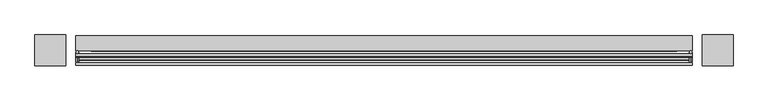
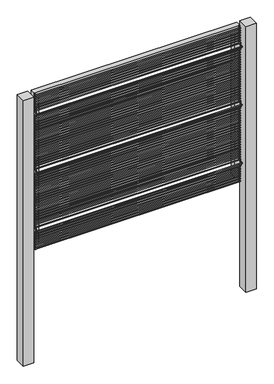
"""IFC4 building model written with IfcOpenShell, lengths in millimetres: railing geometry."""

from ifc_helpers import new_model, si_unit, point, frame, frame_2d, origin, place, context, project, spatial, polyline, circle_curve, ellipse_curve, trimmed, segment, composite_curve, outline, extrude, source, transform, mapped, element, save
from ifc_brep_helpers import plane_surface, cylinder_surface, advanced_brep


def railing_f4114298(model_context):
    return source(origin(), model_context, "Body", "SolidModel", [
        advanced_brep(
        [(-16404.2056958, 14808.5554142, 25.4), (-16404.2056958, 14802.2054142, 25.4), (-16404.2056958, 14802.2054142, 154.0342316), (-16404.2056958, 14808.5554142, 156.6644878), (-16404.2056958, 14778.4396458, 177.8), (-16404.2056958, 14787.419902, 177.8), (-16404.2056958, 14802.2054142, 201.5657684), (-16404.2056958, 14808.5554142, 198.9355122), (-16404.2056958, 14802.2054142, 611.2342316), (-16404.2056958, 14808.5554142, 613.8644878), (-16404.2056958, 14778.4396458, 635.0), (-16404.2056958, 14787.419902, 635.0), (-16404.2056958, 14802.2054142, 658.7657684), (-16404.2056958, 14808.5554142, 656.1355122), (-16404.2056958, 14802.2054142, 1068.4342316), (-16404.2056958, 14808.5554142, 1071.0644878), (-16404.2056958, 14778.4396458, 1092.2), (-16404.2056958, 14787.419902, 1092.2), (-16404.2056958, 14802.2054142, 1115.9657684), (-16404.2056958, 14808.5554142, 1113.3355122), (-16404.2056958, 14808.5554142, 1244.6), (-16404.2056958, 14802.2054142, 1244.6)],
        [
            (0, 1, circle_curve(frame((-16404.2056958, 14805.3804142, 25.4), z_axis=(0.0, 0.0, -1.0), x_axis=(0.0, -1.0, 0.0)), 3.175)),
            (1, 0, circle_curve(frame((-16404.2056958, 14805.3804142, 25.4), z_axis=(0.0, 0.0, -1.0), x_axis=(0.0, -1.0, 0.0)), 3.175)),
            (1, 2),
            (2, 3, ellipse_curve(frame((-16404.2056958, 14805.3804142, 155.3493597), z_axis=(0.0, 0.3826834323650955, -0.9238795325112844), x_axis=(0.0, -0.9238795325112845, -0.38268343236509544)), 3.4365952, 3.175)),
            (3, 0),
            (3, 2, ellipse_curve(frame((-16404.2056958, 14805.3804142, 155.3493597), z_axis=(0.0, 0.3826834323650955, -0.9238795325112844), x_axis=(0.0, -0.9238795325112845, -0.38268343236509544)), 3.4365952, 3.175)),
            (2, 4),
            (4, 5, ellipse_curve(frame((-16404.2056958, 14782.9297739, 177.8), z_axis=(0.0, 0.0, -1.0), x_axis=(0.0, 1.0, 0.0)), 4.4901281, 3.175)),
            (5, 3),
            (5, 4, ellipse_curve(frame((-16404.2056958, 14782.9297739, 177.8), z_axis=(0.0, 0.0, -1.0), x_axis=(0.0, 1.0, 0.0)), 4.4901281, 3.175)),
            (4, 6),
            (6, 7, ellipse_curve(frame((-16404.2056958, 14805.3804142, 200.2506403), z_axis=(0.0, -0.3826834323650839, -0.9238795325112892), x_axis=(0.0, -0.9238795325112893, 0.38268343236508373)), 3.4365952, 3.175)),
            (7, 5),
            (7, 6, ellipse_curve(frame((-16404.2056958, 14805.3804142, 200.2506403), z_axis=(0.0, -0.3826834323650839, -0.9238795325112892), x_axis=(0.0, -0.9238795325112893, 0.38268343236508373)), 3.4365952, 3.175)),
            (6, 8),
            (8, 9, ellipse_curve(frame((-16404.2056958, 14805.3804142, 612.5493597), z_axis=(0.0, 0.3826834323651024, -0.9238795325112816), x_axis=(0.0, -0.9238795325112816, -0.382683432365102)), 3.4365952, 3.175)),
            (9, 7),
            (9, 8, ellipse_curve(frame((-16404.2056958, 14805.3804142, 612.5493597), z_axis=(0.0, 0.3826834323651024, -0.9238795325112816), x_axis=(0.0, -0.9238795325112816, -0.382683432365102)), 3.4365952, 3.175)),
            (8, 10),
            (10, 11, ellipse_curve(frame((-16404.2056958, 14782.9297739, 635.0), z_axis=(0.0, 0.0, -1.0), x_axis=(0.0, 1.0, 0.0)), 4.4901281, 3.175)),
            (11, 9),
            (11, 10, ellipse_curve(frame((-16404.2056958, 14782.9297739, 635.0), z_axis=(0.0, 0.0, -1.0), x_axis=(0.0, 1.0, 0.0)), 4.4901281, 3.175)),
            (10, 12),
            (12, 13, ellipse_curve(frame((-16404.2056958, 14805.3804142, 657.4506403), z_axis=(0.0, -0.3826834323650771, -0.923879532511292), x_axis=(0.0, -0.9238795325112918, 0.3826834323650773)), 3.4365952, 3.175)),
            (13, 11),
            (13, 12, ellipse_curve(frame((-16404.2056958, 14805.3804142, 657.4506403), z_axis=(0.0, -0.3826834323650771, -0.923879532511292), x_axis=(0.0, -0.9238795325112918, 0.3826834323650773)), 3.4365952, 3.175)),
            (12, 14),
            (14, 15, ellipse_curve(frame((-16404.2056958, 14805.3804142, 1069.7493597), z_axis=(0.0, 0.3826834323650978, -0.9238795325112834), x_axis=(0.0, -0.9238795325112834, -0.382683432365098)), 3.4365952, 3.175)),
            (15, 13),
            (15, 14, ellipse_curve(frame((-16404.2056958, 14805.3804142, 1069.7493597), z_axis=(0.0, 0.3826834323650978, -0.9238795325112834), x_axis=(0.0, -0.9238795325112834, -0.382683432365098)), 3.4365952, 3.175)),
            (14, 16),
            (16, 17, ellipse_curve(frame((-16404.2056958, 14782.9297739, 1092.2), z_axis=(0.0, 0.0, -1.0), x_axis=(0.0, 1.0, 0.0)), 4.4901281, 3.175)),
            (17, 15),
            (17, 16, ellipse_curve(frame((-16404.2056958, 14782.9297739, 1092.2), z_axis=(0.0, 0.0, -1.0), x_axis=(0.0, 1.0, 0.0)), 4.4901281, 3.175)),
            (16, 18),
            (18, 19, ellipse_curve(frame((-16404.2056958, 14805.3804142, 1114.6506403), z_axis=(0.0, -0.38268343236508223, -0.9238795325112898), x_axis=(0.0, -0.92387953251129, 0.38268343236508207)), 3.4365952, 3.175)),
            (19, 17),
            (19, 18, ellipse_curve(frame((-16404.2056958, 14805.3804142, 1114.6506403), z_axis=(0.0, -0.38268343236508223, -0.9238795325112898), x_axis=(0.0, -0.92387953251129, 0.38268343236508207)), 3.4365952, 3.175)),
            (20, 21, circle_curve(frame((-16404.2056958, 14805.3804142, 1244.6), z_axis=(0.0, 0.0, 1.0), x_axis=(0.0, -1.0, 0.0)), 3.175)),
            (21, 20, circle_curve(frame((-16404.2056958, 14805.3804142, 1244.6), z_axis=(0.0, 0.0, 1.0), x_axis=(0.0, -1.0, 0.0)), 3.175)),
            (18, 21),
            (20, 19),
        ],
        [
            plane_surface(frame((-16404.2056958, 14805.3804142, 25.4), z_axis=(0.0, 0.0, -1.0), x_axis=(-1.0, 0.0, 0.0))),
            cylinder_surface(frame((-16404.2056958, 14805.3804142, 25.4), z_axis=(0.0, 0.0, -1.0), x_axis=(0.0, -1.0, 0.0)), 3.175),
            cylinder_surface(frame((-16404.2056958, 14805.3804142, 155.3493597), z_axis=(0.0, 0.7071067811865563, -0.7071067811865388), x_axis=(0.0, -0.7071067811865388, -0.7071067811865563)), 3.175),
            cylinder_surface(frame((-16404.2056958, 14782.9297739, 177.8), z_axis=(0.0, -0.7071067811865385, -0.7071067811865568), x_axis=(0.0, -0.7071067811865568, 0.7071067811865385)), 3.175),
            cylinder_surface(frame((-16404.2056958, 14805.3804142, 200.2506403), z_axis=(0.0, 0.0, -1.0), x_axis=(0.0, -1.0, 0.0)), 3.175),
            cylinder_surface(frame((-16404.2056958, 14805.3804142, 612.5493597), z_axis=(0.0, 0.7071067811865669, -0.707106781186528), x_axis=(0.0, -0.707106781186528, -0.7071067811865669)), 3.175),
            cylinder_surface(frame((-16404.2056958, 14782.9297739, 635.0), z_axis=(0.0, -0.7071067811865279, -0.7071067811865672), x_axis=(0.0, -0.7071067811865672, 0.7071067811865279)), 3.175),
            cylinder_surface(frame((-16404.2056958, 14805.3804142, 657.4506403), z_axis=(0.0, 0.0, -1.0), x_axis=(0.0, -1.0, 0.0)), 3.175),
            cylinder_surface(frame((-16404.2056958, 14805.3804142, 1069.7493597), z_axis=(0.0, 0.7071067811865601, -0.707106781186535), x_axis=(0.0, -0.707106781186535, -0.7071067811865601)), 3.175),
            cylinder_surface(frame((-16404.2056958, 14782.9297739, 1092.2), z_axis=(0.0, -0.7071067811865356, -0.7071067811865596), x_axis=(0.0, -0.7071067811865596, 0.7071067811865356)), 3.175),
            plane_surface(frame((-16404.2056958, 14805.3804142, 1244.6), z_axis=(0.0, 0.0, 1.0), x_axis=(-1.0, 0.0, 0.0))),
            cylinder_surface(frame((-16404.2056958, 14805.3804142, 1114.6506403), z_axis=(0.0, 0.0, -1.0), x_axis=(0.0, -1.0, 0.0)), 3.175),
        ],
        [
            (0, [[1, 2]]),
            (1, [[3, 4, 5, -2]]),
            (1, [[-5, 6, -3, -1]]),
            (2, [[7, 8, 9, -4]]),
            (2, [[-9, 10, -7, -6]]),
            (3, [[11, 12, 13, -8]]),
            (3, [[-13, 14, -11, -10]]),
            (4, [[15, 16, 17, -12]]),
            (4, [[-17, 18, -15, -14]]),
            (5, [[19, 20, 21, -16]]),
            (5, [[-21, 22, -19, -18]]),
            (6, [[23, 24, 25, -20]]),
            (6, [[-25, 26, -23, -22]]),
            (7, [[27, 28, 29, -24]]),
            (7, [[-29, 30, -27, -26]]),
            (8, [[31, 32, 33, -28]]),
            (8, [[-33, 34, -31, -30]]),
            (9, [[35, 36, 37, -32]]),
            (9, [[-37, 38, -35, -34]]),
            (10, [[39, 40]]),
            (11, [[41, -39, 42, -36]]),
            (11, [[-42, -40, -41, -38]]),
        ],
    ),
        advanced_brep(
        [(-14886.5556958, 14808.5554142, 25.4), (-14886.5556958, 14802.2054142, 25.4), (-14886.5556958, 14802.2054142, 154.0342316), (-14886.5556958, 14808.5554142, 156.6644878), (-14886.5556958, 14778.4396458, 177.8), (-14886.5556958, 14787.419902, 177.8), (-14886.5556958, 14802.2054142, 201.5657684), (-14886.5556958, 14808.5554142, 198.9355122), (-14886.5556958, 14802.2054142, 611.2342316), (-14886.5556958, 14808.5554142, 613.8644878), (-14886.5556958, 14778.4396458, 635.0), (-14886.5556958, 14787.419902, 635.0), (-14886.5556958, 14802.2054142, 658.7657684), (-14886.5556958, 14808.5554142, 656.1355122), (-14886.5556958, 14802.2054142, 1068.4342316), (-14886.5556958, 14808.5554142, 1071.0644878), (-14886.5556958, 14778.4396458, 1092.2), (-14886.5556958, 14787.419902, 1092.2), (-14886.5556958, 14802.2054142, 1115.9657684), (-14886.5556958, 14808.5554142, 1113.3355122), (-14886.5556958, 14808.5554142, 1244.6), (-14886.5556958, 14802.2054142, 1244.6)],
        [
            (0, 1, circle_curve(frame((-14886.5556958, 14805.3804142, 25.4), z_axis=(0.0, 0.0, -1.0), x_axis=(0.0, -1.0, 0.0)), 3.175)),
            (1, 0, circle_curve(frame((-14886.5556958, 14805.3804142, 25.4), z_axis=(0.0, 0.0, -1.0), x_axis=(0.0, -1.0, 0.0)), 3.175)),
            (1, 2),
            (2, 3, ellipse_curve(frame((-14886.5556958, 14805.3804142, 155.3493597), z_axis=(0.0, 0.3826834323650955, -0.9238795325112844), x_axis=(0.0, -0.9238795325112845, -0.38268343236509544)), 3.4365952, 3.175)),
            (3, 0),
            (3, 2, ellipse_curve(frame((-14886.5556958, 14805.3804142, 155.3493597), z_axis=(0.0, 0.3826834323650955, -0.9238795325112844), x_axis=(0.0, -0.9238795325112845, -0.38268343236509544)), 3.4365952, 3.175)),
            (2, 4),
            (4, 5, ellipse_curve(frame((-14886.5556958, 14782.9297739, 177.8), z_axis=(0.0, 0.0, -1.0), x_axis=(0.0, 1.0, 0.0)), 4.4901281, 3.175)),
            (5, 3),
            (5, 4, ellipse_curve(frame((-14886.5556958, 14782.9297739, 177.8), z_axis=(0.0, 0.0, -1.0), x_axis=(0.0, 1.0, 0.0)), 4.4901281, 3.175)),
            (4, 6),
            (6, 7, ellipse_curve(frame((-14886.5556958, 14805.3804142, 200.2506403), z_axis=(0.0, -0.3826834323650839, -0.9238795325112892), x_axis=(0.0, -0.9238795325112893, 0.38268343236508373)), 3.4365952, 3.175)),
            (7, 5),
            (7, 6, ellipse_curve(frame((-14886.5556958, 14805.3804142, 200.2506403), z_axis=(0.0, -0.3826834323650839, -0.9238795325112892), x_axis=(0.0, -0.9238795325112893, 0.38268343236508373)), 3.4365952, 3.175)),
            (6, 8),
            (8, 9, ellipse_curve(frame((-14886.5556958, 14805.3804142, 612.5493597), z_axis=(0.0, 0.3826834323651024, -0.9238795325112816), x_axis=(0.0, -0.9238795325112816, -0.382683432365102)), 3.4365952, 3.175)),
            (9, 7),
            (9, 8, ellipse_curve(frame((-14886.5556958, 14805.3804142, 612.5493597), z_axis=(0.0, 0.3826834323651024, -0.9238795325112816), x_axis=(0.0, -0.9238795325112816, -0.382683432365102)), 3.4365952, 3.175)),
            (8, 10),
            (10, 11, ellipse_curve(frame((-14886.5556958, 14782.9297739, 635.0), z_axis=(0.0, 0.0, -1.0), x_axis=(0.0, 1.0, 0.0)), 4.4901281, 3.175)),
            (11, 9),
            (11, 10, ellipse_curve(frame((-14886.5556958, 14782.9297739, 635.0), z_axis=(0.0, 0.0, -1.0), x_axis=(0.0, 1.0, 0.0)), 4.4901281, 3.175)),
            (10, 12),
            (12, 13, ellipse_curve(frame((-14886.5556958, 14805.3804142, 657.4506403), z_axis=(0.0, -0.3826834323650771, -0.923879532511292), x_axis=(0.0, -0.9238795325112918, 0.3826834323650773)), 3.4365952, 3.175)),
            (13, 11),
            (13, 12, ellipse_curve(frame((-14886.5556958, 14805.3804142, 657.4506403), z_axis=(0.0, -0.3826834323650771, -0.923879532511292), x_axis=(0.0, -0.9238795325112918, 0.3826834323650773)), 3.4365952, 3.175)),
            (12, 14),
            (14, 15, ellipse_curve(frame((-14886.5556958, 14805.3804142, 1069.7493597), z_axis=(0.0, 0.3826834323650978, -0.9238795325112834), x_axis=(0.0, -0.9238795325112834, -0.382683432365098)), 3.4365952, 3.175)),
            (15, 13),
            (15, 14, ellipse_curve(frame((-14886.5556958, 14805.3804142, 1069.7493597), z_axis=(0.0, 0.3826834323650978, -0.9238795325112834), x_axis=(0.0, -0.9238795325112834, -0.382683432365098)), 3.4365952, 3.175)),
            (14, 16),
            (16, 17, ellipse_curve(frame((-14886.5556958, 14782.9297739, 1092.2), z_axis=(0.0, 0.0, -1.0), x_axis=(0.0, 1.0, 0.0)), 4.4901281, 3.175)),
            (17, 15),
            (17, 16, ellipse_curve(frame((-14886.5556958, 14782.9297739, 1092.2), z_axis=(0.0, 0.0, -1.0), x_axis=(0.0, 1.0, 0.0)), 4.4901281, 3.175)),
            (16, 18),
            (18, 19, ellipse_curve(frame((-14886.5556958, 14805.3804142, 1114.6506403), z_axis=(0.0, -0.38268343236508223, -0.9238795325112898), x_axis=(0.0, -0.92387953251129, 0.38268343236508207)), 3.4365952, 3.175)),
            (19, 17),
            (19, 18, ellipse_curve(frame((-14886.5556958, 14805.3804142, 1114.6506403), z_axis=(0.0, -0.38268343236508223, -0.9238795325112898), x_axis=(0.0, -0.92387953251129, 0.38268343236508207)), 3.4365952, 3.175)),
            (20, 21, circle_curve(frame((-14886.5556958, 14805.3804142, 1244.6), z_axis=(0.0, 0.0, 1.0), x_axis=(0.0, -1.0, 0.0)), 3.175)),
            (21, 20, circle_curve(frame((-14886.5556958, 14805.3804142, 1244.6), z_axis=(0.0, 0.0, 1.0), x_axis=(0.0, -1.0, 0.0)), 3.175)),
            (18, 21),
            (20, 19),
        ],
        [
            plane_surface(frame((-14886.5556958, 14805.3804142, 25.4), z_axis=(0.0, 0.0, -1.0), x_axis=(-1.0, 0.0, 0.0))),
            cylinder_surface(frame((-14886.5556958, 14805.3804142, 25.4), z_axis=(0.0, 0.0, -1.0), x_axis=(0.0, -1.0, 0.0)), 3.175),
            cylinder_surface(frame((-14886.5556958, 14805.3804142, 155.3493597), z_axis=(0.0, 0.7071067811865563, -0.7071067811865388), x_axis=(0.0, -0.7071067811865388, -0.7071067811865563)), 3.175),
            cylinder_surface(frame((-14886.5556958, 14782.9297739, 177.8), z_axis=(0.0, -0.7071067811865385, -0.7071067811865568), x_axis=(0.0, -0.7071067811865568, 0.7071067811865385)), 3.175),
            cylinder_surface(frame((-14886.5556958, 14805.3804142, 200.2506403), z_axis=(0.0, 0.0, -1.0), x_axis=(0.0, -1.0, 0.0)), 3.175),
            cylinder_surface(frame((-14886.5556958, 14805.3804142, 612.5493597), z_axis=(0.0, 0.7071067811865669, -0.707106781186528), x_axis=(0.0, -0.707106781186528, -0.7071067811865669)), 3.175),
            cylinder_surface(frame((-14886.5556958, 14782.9297739, 635.0), z_axis=(0.0, -0.7071067811865279, -0.7071067811865672), x_axis=(0.0, -0.7071067811865672, 0.7071067811865279)), 3.175),
            cylinder_surface(frame((-14886.5556958, 14805.3804142, 657.4506403), z_axis=(0.0, 0.0, -1.0), x_axis=(0.0, -1.0, 0.0)), 3.175),
            cylinder_surface(frame((-14886.5556958, 14805.3804142, 1069.7493597), z_axis=(0.0, 0.7071067811865601, -0.707106781186535), x_axis=(0.0, -0.707106781186535, -0.7071067811865601)), 3.175),
            cylinder_surface(frame((-14886.5556958, 14782.9297739, 1092.2), z_axis=(0.0, -0.7071067811865356, -0.7071067811865596), x_axis=(0.0, -0.7071067811865596, 0.7071067811865356)), 3.175),
            plane_surface(frame((-14886.5556958, 14805.3804142, 1244.6), z_axis=(0.0, 0.0, 1.0), x_axis=(-1.0, 0.0, 0.0))),
            cylinder_surface(frame((-14886.5556958, 14805.3804142, 1114.6506403), z_axis=(0.0, 0.0, -1.0), x_axis=(0.0, -1.0, 0.0)), 3.175),
        ],
        [
            (0, [[1, 2]]),
            (1, [[3, 4, 5, -2]]),
            (1, [[-5, 6, -3, -1]]),
            (2, [[7, 8, 9, -4]]),
            (2, [[-9, 10, -7, -6]]),
            (3, [[11, 12, 13, -8]]),
            (3, [[-13, 14, -11, -10]]),
            (4, [[15, 16, 17, -12]]),
            (4, [[-17, 18, -15, -14]]),
            (5, [[19, 20, 21, -16]]),
            (5, [[-21, 22, -19, -18]]),
            (6, [[23, 24, 25, -20]]),
            (6, [[-25, 26, -23, -22]]),
            (7, [[27, 28, 29, -24]]),
            (7, [[-29, 30, -27, -26]]),
            (8, [[31, 32, 33, -28]]),
            (8, [[-33, 34, -31, -30]]),
            (9, [[35, 36, 37, -32]]),
            (9, [[-37, 38, -35, -34]]),
            (10, [[39, 40]]),
            (11, [[41, -39, 42, -36]]),
            (11, [[-42, -40, -41, -38]]),
        ],
    ),
        extrude(outline(polyline([(1244.6, -14883.3806958), (1244.6, -16407.3806958), (25.4, -16407.3806958), (25.4, -14883.3806958), (1244.6, -14883.3806958)]), holes=[polyline([(1206.5, -14921.4806958), (63.5, -14921.4806958), (63.5, -16369.2806958), (1206.5, -16369.2806958), (1206.5, -14921.4806958)])]), frame((0.0, 14808.5554142, 0.0), z_axis=(0.0, 1.0, 0.0), x_axis=(0.0, 0.0, 1.0)), (0.0, 0.0, 1.0), 38.1),
        extrude(outline(composite_curve([segment(trimmed(circle_curve(frame_2d((14799.0304142, 28.575)), 3.175), [point((14795.8554142, 28.575))], [point((14802.2054142, 28.575))], False, "CARTESIAN"), True, "CONTINUOUS"), segment(trimmed(circle_curve(frame_2d((14799.0304142, 28.575)), 3.175), [point((14802.2054142, 28.575))], [point((14795.8554142, 28.575))], False, "CARTESIAN"), True, "CONTINUOUS")], self_intersect=False)), frame((-16407.3806958, 0.0, 0.0), z_axis=(1.0, 0.0, 0.0), x_axis=(0.0, 1.0, 0.0)), (0.0, 0.0, 1.0), 1524.0),
        extrude(outline(composite_curve([segment(trimmed(circle_curve(frame_2d((14799.0304142, 47.625)), 3.175), [point((14795.8554142, 47.625))], [point((14802.2054142, 47.625))], False, "CARTESIAN"), True, "CONTINUOUS"), segment(trimmed(circle_curve(frame_2d((14799.0304142, 47.625)), 3.175), [point((14802.2054142, 47.625))], [point((14795.8554142, 47.625))], False, "CARTESIAN"), True, "CONTINUOUS")], self_intersect=False)), frame((-16407.3806958, 0.0, 0.0), z_axis=(1.0, 0.0, 0.0), x_axis=(0.0, 1.0, 0.0)), (0.0, 0.0, 1.0), 1524.0),
        extrude(outline(composite_curve([segment(trimmed(circle_curve(frame_2d((14799.0304142, 66.675)), 3.175), [point((14795.8554142, 66.675))], [point((14802.2054142, 66.675))], False, "CARTESIAN"), True, "CONTINUOUS"), segment(trimmed(circle_curve(frame_2d((14799.0304142, 66.675)), 3.175), [point((14802.2054142, 66.675))], [point((14795.8554142, 66.675))], False, "CARTESIAN"), True, "CONTINUOUS")], self_intersect=False)), frame((-16407.3806958, 0.0, 0.0), z_axis=(1.0, 0.0, 0.0), x_axis=(0.0, 1.0, 0.0)), (0.0, 0.0, 1.0), 1524.0),
        extrude(outline(composite_curve([segment(trimmed(circle_curve(frame_2d((14799.0304142, 85.725)), 3.175), [point((14795.8554142, 85.725))], [point((14802.2054142, 85.725))], False, "CARTESIAN"), True, "CONTINUOUS"), segment(trimmed(circle_curve(frame_2d((14799.0304142, 85.725)), 3.175), [point((14802.2054142, 85.725))], [point((14795.8554142, 85.725))], False, "CARTESIAN"), True, "CONTINUOUS")], self_intersect=False)), frame((-16407.3806958, 0.0, 0.0), z_axis=(1.0, 0.0, 0.0), x_axis=(0.0, 1.0, 0.0)), (0.0, 0.0, 1.0), 1524.0),
        extrude(outline(composite_curve([segment(trimmed(circle_curve(frame_2d((14799.0304142, 104.775)), 3.175), [point((14795.8554142, 104.775))], [point((14802.2054142, 104.775))], False, "CARTESIAN"), True, "CONTINUOUS"), segment(trimmed(circle_curve(frame_2d((14799.0304142, 104.775)), 3.175), [point((14802.2054142, 104.775))], [point((14795.8554142, 104.775))], False, "CARTESIAN"), True, "CONTINUOUS")], self_intersect=False)), frame((-16407.3806958, 0.0, 0.0), z_axis=(1.0, 0.0, 0.0), x_axis=(0.0, 1.0, 0.0)), (0.0, 0.0, 1.0), 1524.0),
        extrude(outline(composite_curve([segment(trimmed(circle_curve(frame_2d((14799.0304142, 123.825)), 3.175), [point((14795.8554142, 123.825))], [point((14802.2054142, 123.825))], False, "CARTESIAN"), True, "CONTINUOUS"), segment(trimmed(circle_curve(frame_2d((14799.0304142, 123.825)), 3.175), [point((14802.2054142, 123.825))], [point((14795.8554142, 123.825))], False, "CARTESIAN"), True, "CONTINUOUS")], self_intersect=False)), frame((-16407.3806958, 0.0, 0.0), z_axis=(1.0, 0.0, 0.0), x_axis=(0.0, 1.0, 0.0)), (0.0, 0.0, 1.0), 1524.0),
        extrude(outline(composite_curve([segment(trimmed(circle_curve(frame_2d((14799.0304142, 142.875)), 3.175), [point((14795.8554142, 142.875))], [point((14802.2054142, 142.875))], False, "CARTESIAN"), True, "CONTINUOUS"), segment(trimmed(circle_curve(frame_2d((14799.0304142, 142.875)), 3.175), [point((14802.2054142, 142.875))], [point((14795.8554142, 142.875))], False, "CARTESIAN"), True, "CONTINUOUS")], self_intersect=False)), frame((-16407.3806958, 0.0, 0.0), z_axis=(1.0, 0.0, 0.0), x_axis=(0.0, 1.0, 0.0)), (0.0, 0.0, 1.0), 1524.0),
        extrude(outline(composite_curve([segment(trimmed(circle_curve(frame_2d((14789.3771382, 161.925)), 3.175), [point((14786.2021382, 161.925))], [point((14792.5521382, 161.925))], False, "CARTESIAN"), True, "CONTINUOUS"), segment(trimmed(circle_curve(frame_2d((14789.3771382, 161.925)), 3.175), [point((14792.5521382, 161.925))], [point((14786.2021382, 161.925))], False, "CARTESIAN"), True, "CONTINUOUS")], self_intersect=False)), frame((-16407.3806958, 0.0, 0.0), z_axis=(1.0, 0.0, 0.0), x_axis=(0.0, 1.0, 0.0)), (0.0, 0.0, 1.0), 1524.0),
        extrude(outline(composite_curve([segment(trimmed(circle_curve(frame_2d((14776.6771382, 180.975)), 3.175), [point((14773.5021382, 180.975))], [point((14779.8521382, 180.975))], False, "CARTESIAN"), True, "CONTINUOUS"), segment(trimmed(circle_curve(frame_2d((14776.6771382, 180.975)), 3.175), [point((14779.8521382, 180.975))], [point((14773.5021382, 180.975))], False, "CARTESIAN"), True, "CONTINUOUS")], self_intersect=False)), frame((-16407.3806958, 0.0, 0.0), z_axis=(1.0, 0.0, 0.0), x_axis=(0.0, 1.0, 0.0)), (0.0, 0.0, 1.0), 1524.0),
        extrude(outline(composite_curve([segment(trimmed(circle_curve(frame_2d((14795.4585392, 200.025)), 3.175), [point((14792.2835392, 200.025))], [point((14798.6335392, 200.025))], False, "CARTESIAN"), True, "CONTINUOUS"), segment(trimmed(circle_curve(frame_2d((14795.4585392, 200.025)), 3.175), [point((14798.6335392, 200.025))], [point((14792.2835392, 200.025))], False, "CARTESIAN"), True, "CONTINUOUS")], self_intersect=False)), frame((-16407.3806958, 0.0, 0.0), z_axis=(1.0, 0.0, 0.0), x_axis=(0.0, 1.0, 0.0)), (0.0, 0.0, 1.0), 1524.0),
        extrude(outline(composite_curve([segment(trimmed(circle_curve(frame_2d((14799.0304142, 219.075)), 3.175), [point((14795.8554142, 219.075))], [point((14802.2054142, 219.075))], False, "CARTESIAN"), True, "CONTINUOUS"), segment(trimmed(circle_curve(frame_2d((14799.0304142, 219.075)), 3.175), [point((14802.2054142, 219.075))], [point((14795.8554142, 219.075))], False, "CARTESIAN"), True, "CONTINUOUS")], self_intersect=False)), frame((-16407.3806958, 0.0, 0.0), z_axis=(1.0, 0.0, 0.0), x_axis=(0.0, 1.0, 0.0)), (0.0, 0.0, 1.0), 1524.0),
        extrude(outline(composite_curve([segment(trimmed(circle_curve(frame_2d((14799.0304142, 238.125)), 3.175), [point((14795.8554142, 238.125))], [point((14802.2054142, 238.125))], False, "CARTESIAN"), True, "CONTINUOUS"), segment(trimmed(circle_curve(frame_2d((14799.0304142, 238.125)), 3.175), [point((14802.2054142, 238.125))], [point((14795.8554142, 238.125))], False, "CARTESIAN"), True, "CONTINUOUS")], self_intersect=False)), frame((-16407.3806958, 0.0, 0.0), z_axis=(1.0, 0.0, 0.0), x_axis=(0.0, 1.0, 0.0)), (0.0, 0.0, 1.0), 1524.0),
        extrude(outline(composite_curve([segment(trimmed(circle_curve(frame_2d((14799.0304142, 257.175)), 3.175), [point((14795.8554142, 257.175))], [point((14802.2054142, 257.175))], False, "CARTESIAN"), True, "CONTINUOUS"), segment(trimmed(circle_curve(frame_2d((14799.0304142, 257.175)), 3.175), [point((14802.2054142, 257.175))], [point((14795.8554142, 257.175))], False, "CARTESIAN"), True, "CONTINUOUS")], self_intersect=False)), frame((-16407.3806958, 0.0, 0.0), z_axis=(1.0, 0.0, 0.0), x_axis=(0.0, 1.0, 0.0)), (0.0, 0.0, 1.0), 1524.0),
        extrude(outline(composite_curve([segment(trimmed(circle_curve(frame_2d((14799.0304142, 276.225)), 3.175), [point((14795.8554142, 276.225))], [point((14802.2054142, 276.225))], False, "CARTESIAN"), True, "CONTINUOUS"), segment(trimmed(circle_curve(frame_2d((14799.0304142, 276.225)), 3.175), [point((14802.2054142, 276.225))], [point((14795.8554142, 276.225))], False, "CARTESIAN"), True, "CONTINUOUS")], self_intersect=False)), frame((-16407.3806958, 0.0, 0.0), z_axis=(1.0, 0.0, 0.0), x_axis=(0.0, 1.0, 0.0)), (0.0, 0.0, 1.0), 1524.0),
        extrude(outline(composite_curve([segment(trimmed(circle_curve(frame_2d((14799.0304142, 295.275)), 3.175), [point((14795.8554142, 295.275))], [point((14802.2054142, 295.275))], False, "CARTESIAN"), True, "CONTINUOUS"), segment(trimmed(circle_curve(frame_2d((14799.0304142, 295.275)), 3.175), [point((14802.2054142, 295.275))], [point((14795.8554142, 295.275))], False, "CARTESIAN"), True, "CONTINUOUS")], self_intersect=False)), frame((-16407.3806958, 0.0, 0.0), z_axis=(1.0, 0.0, 0.0), x_axis=(0.0, 1.0, 0.0)), (0.0, 0.0, 1.0), 1524.0),
        extrude(outline(composite_curve([segment(trimmed(circle_curve(frame_2d((14799.0304142, 314.325)), 3.175), [point((14795.8554142, 314.325))], [point((14802.2054142, 314.325))], False, "CARTESIAN"), True, "CONTINUOUS"), segment(trimmed(circle_curve(frame_2d((14799.0304142, 314.325)), 3.175), [point((14802.2054142, 314.325))], [point((14795.8554142, 314.325))], False, "CARTESIAN"), True, "CONTINUOUS")], self_intersect=False)), frame((-16407.3806958, 0.0, 0.0), z_axis=(1.0, 0.0, 0.0), x_axis=(0.0, 1.0, 0.0)), (0.0, 0.0, 1.0), 1524.0),
        extrude(outline(composite_curve([segment(trimmed(circle_curve(frame_2d((14799.0304142, 333.375)), 3.175), [point((14795.8554142, 333.375))], [point((14802.2054142, 333.375))], False, "CARTESIAN"), True, "CONTINUOUS"), segment(trimmed(circle_curve(frame_2d((14799.0304142, 333.375)), 3.175), [point((14802.2054142, 333.375))], [point((14795.8554142, 333.375))], False, "CARTESIAN"), True, "CONTINUOUS")], self_intersect=False)), frame((-16407.3806958, 0.0, 0.0), z_axis=(1.0, 0.0, 0.0), x_axis=(0.0, 1.0, 0.0)), (0.0, 0.0, 1.0), 1524.0),
        extrude(outline(composite_curve([segment(trimmed(circle_curve(frame_2d((14799.0304142, 352.425)), 3.175), [point((14795.8554142, 352.425))], [point((14802.2054142, 352.425))], False, "CARTESIAN"), True, "CONTINUOUS"), segment(trimmed(circle_curve(frame_2d((14799.0304142, 352.425)), 3.175), [point((14802.2054142, 352.425))], [point((14795.8554142, 352.425))], False, "CARTESIAN"), True, "CONTINUOUS")], self_intersect=False)), frame((-16407.3806958, 0.0, 0.0), z_axis=(1.0, 0.0, 0.0), x_axis=(0.0, 1.0, 0.0)), (0.0, 0.0, 1.0), 1524.0),
        extrude(outline(composite_curve([segment(trimmed(circle_curve(frame_2d((14799.0304142, 371.475)), 3.175), [point((14795.8554142, 371.475))], [point((14802.2054142, 371.475))], False, "CARTESIAN"), True, "CONTINUOUS"), segment(trimmed(circle_curve(frame_2d((14799.0304142, 371.475)), 3.175), [point((14802.2054142, 371.475))], [point((14795.8554142, 371.475))], False, "CARTESIAN"), True, "CONTINUOUS")], self_intersect=False)), frame((-16407.3806958, 0.0, 0.0), z_axis=(1.0, 0.0, 0.0), x_axis=(0.0, 1.0, 0.0)), (0.0, 0.0, 1.0), 1524.0),
        extrude(outline(composite_curve([segment(trimmed(circle_curve(frame_2d((14799.0304142, 390.525)), 3.175), [point((14795.8554142, 390.525))], [point((14802.2054142, 390.525))], False, "CARTESIAN"), True, "CONTINUOUS"), segment(trimmed(circle_curve(frame_2d((14799.0304142, 390.525)), 3.175), [point((14802.2054142, 390.525))], [point((14795.8554142, 390.525))], False, "CARTESIAN"), True, "CONTINUOUS")], self_intersect=False)), frame((-16407.3806958, 0.0, 0.0), z_axis=(1.0, 0.0, 0.0), x_axis=(0.0, 1.0, 0.0)), (0.0, 0.0, 1.0), 1524.0),
        extrude(outline(composite_curve([segment(trimmed(circle_curve(frame_2d((14799.0304142, 409.575)), 3.175), [point((14795.8554142, 409.575))], [point((14802.2054142, 409.575))], False, "CARTESIAN"), True, "CONTINUOUS"), segment(trimmed(circle_curve(frame_2d((14799.0304142, 409.575)), 3.175), [point((14802.2054142, 409.575))], [point((14795.8554142, 409.575))], False, "CARTESIAN"), True, "CONTINUOUS")], self_intersect=False)), frame((-16407.3806958, 0.0, 0.0), z_axis=(1.0, 0.0, 0.0), x_axis=(0.0, 1.0, 0.0)), (0.0, 0.0, 1.0), 1524.0),
        extrude(outline(composite_curve([segment(trimmed(circle_curve(frame_2d((14799.0304142, 428.625)), 3.175), [point((14795.8554142, 428.625))], [point((14802.2054142, 428.625))], False, "CARTESIAN"), True, "CONTINUOUS"), segment(trimmed(circle_curve(frame_2d((14799.0304142, 428.625)), 3.175), [point((14802.2054142, 428.625))], [point((14795.8554142, 428.625))], False, "CARTESIAN"), True, "CONTINUOUS")], self_intersect=False)), frame((-16407.3806958, 0.0, 0.0), z_axis=(1.0, 0.0, 0.0), x_axis=(0.0, 1.0, 0.0)), (0.0, 0.0, 1.0), 1524.0),
        extrude(outline(composite_curve([segment(trimmed(circle_curve(frame_2d((14799.0304142, 447.675)), 3.175), [point((14795.8554142, 447.675))], [point((14802.2054142, 447.675))], False, "CARTESIAN"), True, "CONTINUOUS"), segment(trimmed(circle_curve(frame_2d((14799.0304142, 447.675)), 3.175), [point((14802.2054142, 447.675))], [point((14795.8554142, 447.675))], False, "CARTESIAN"), True, "CONTINUOUS")], self_intersect=False)), frame((-16407.3806958, 0.0, 0.0), z_axis=(1.0, 0.0, 0.0), x_axis=(0.0, 1.0, 0.0)), (0.0, 0.0, 1.0), 1524.0),
        extrude(outline(composite_curve([segment(trimmed(circle_curve(frame_2d((14799.0304142, 466.725)), 3.175), [point((14795.8554142, 466.725))], [point((14802.2054142, 466.725))], False, "CARTESIAN"), True, "CONTINUOUS"), segment(trimmed(circle_curve(frame_2d((14799.0304142, 466.725)), 3.175), [point((14802.2054142, 466.725))], [point((14795.8554142, 466.725))], False, "CARTESIAN"), True, "CONTINUOUS")], self_intersect=False)), frame((-16407.3806958, 0.0, 0.0), z_axis=(1.0, 0.0, 0.0), x_axis=(0.0, 1.0, 0.0)), (0.0, 0.0, 1.0), 1524.0),
        extrude(outline(composite_curve([segment(trimmed(circle_curve(frame_2d((14799.0304142, 485.775)), 3.175), [point((14795.8554142, 485.775))], [point((14802.2054142, 485.775))], False, "CARTESIAN"), True, "CONTINUOUS"), segment(trimmed(circle_curve(frame_2d((14799.0304142, 485.775)), 3.175), [point((14802.2054142, 485.775))], [point((14795.8554142, 485.775))], False, "CARTESIAN"), True, "CONTINUOUS")], self_intersect=False)), frame((-16407.3806958, 0.0, 0.0), z_axis=(1.0, 0.0, 0.0), x_axis=(0.0, 1.0, 0.0)), (0.0, 0.0, 1.0), 1524.0),
        extrude(outline(composite_curve([segment(trimmed(circle_curve(frame_2d((14799.0304142, 504.825)), 3.175), [point((14795.8554142, 504.825))], [point((14802.2054142, 504.825))], False, "CARTESIAN"), True, "CONTINUOUS"), segment(trimmed(circle_curve(frame_2d((14799.0304142, 504.825)), 3.175), [point((14802.2054142, 504.825))], [point((14795.8554142, 504.825))], False, "CARTESIAN"), True, "CONTINUOUS")], self_intersect=False)), frame((-16407.3806958, 0.0, 0.0), z_axis=(1.0, 0.0, 0.0), x_axis=(0.0, 1.0, 0.0)), (0.0, 0.0, 1.0), 1524.0),
        extrude(outline(composite_curve([segment(trimmed(circle_curve(frame_2d((14799.0304142, 523.875)), 3.175), [point((14795.8554142, 523.875))], [point((14802.2054142, 523.875))], False, "CARTESIAN"), True, "CONTINUOUS"), segment(trimmed(circle_curve(frame_2d((14799.0304142, 523.875)), 3.175), [point((14802.2054142, 523.875))], [point((14795.8554142, 523.875))], False, "CARTESIAN"), True, "CONTINUOUS")], self_intersect=False)), frame((-16407.3806958, 0.0, 0.0), z_axis=(1.0, 0.0, 0.0), x_axis=(0.0, 1.0, 0.0)), (0.0, 0.0, 1.0), 1524.0),
        extrude(outline(composite_curve([segment(trimmed(circle_curve(frame_2d((14799.0304142, 542.925)), 3.175), [point((14795.8554142, 542.925))], [point((14802.2054142, 542.925))], False, "CARTESIAN"), True, "CONTINUOUS"), segment(trimmed(circle_curve(frame_2d((14799.0304142, 542.925)), 3.175), [point((14802.2054142, 542.925))], [point((14795.8554142, 542.925))], False, "CARTESIAN"), True, "CONTINUOUS")], self_intersect=False)), frame((-16407.3806958, 0.0, 0.0), z_axis=(1.0, 0.0, 0.0), x_axis=(0.0, 1.0, 0.0)), (0.0, 0.0, 1.0), 1524.0),
        extrude(outline(composite_curve([segment(trimmed(circle_curve(frame_2d((14799.0304142, 561.975)), 3.175), [point((14795.8554142, 561.975))], [point((14802.2054142, 561.975))], False, "CARTESIAN"), True, "CONTINUOUS"), segment(trimmed(circle_curve(frame_2d((14799.0304142, 561.975)), 3.175), [point((14802.2054142, 561.975))], [point((14795.8554142, 561.975))], False, "CARTESIAN"), True, "CONTINUOUS")], self_intersect=False)), frame((-16407.3806958, 0.0, 0.0), z_axis=(1.0, 0.0, 0.0), x_axis=(0.0, 1.0, 0.0)), (0.0, 0.0, 1.0), 1524.0),
        extrude(outline(composite_curve([segment(trimmed(circle_curve(frame_2d((14799.0304142, 581.025)), 3.175), [point((14795.8554142, 581.025))], [point((14802.2054142, 581.025))], False, "CARTESIAN"), True, "CONTINUOUS"), segment(trimmed(circle_curve(frame_2d((14799.0304142, 581.025)), 3.175), [point((14802.2054142, 581.025))], [point((14795.8554142, 581.025))], False, "CARTESIAN"), True, "CONTINUOUS")], self_intersect=False)), frame((-16407.3806958, 0.0, 0.0), z_axis=(1.0, 0.0, 0.0), x_axis=(0.0, 1.0, 0.0)), (0.0, 0.0, 1.0), 1524.0),
        extrude(outline(composite_curve([segment(trimmed(circle_curve(frame_2d((14799.0304142, 600.075)), 3.175), [point((14795.8554142, 600.075))], [point((14802.2054142, 600.075))], False, "CARTESIAN"), True, "CONTINUOUS"), segment(trimmed(circle_curve(frame_2d((14799.0304142, 600.075)), 3.175), [point((14802.2054142, 600.075))], [point((14795.8554142, 600.075))], False, "CARTESIAN"), True, "CONTINUOUS")], self_intersect=False)), frame((-16407.3806958, 0.0, 0.0), z_axis=(1.0, 0.0, 0.0), x_axis=(0.0, 1.0, 0.0)), (0.0, 0.0, 1.0), 1524.0),
        extrude(outline(composite_curve([segment(trimmed(circle_curve(frame_2d((14789.5054142, 619.125)), 3.175), [point((14786.3304142, 619.125))], [point((14792.6804142, 619.125))], False, "CARTESIAN"), True, "CONTINUOUS"), segment(trimmed(circle_curve(frame_2d((14789.5054142, 619.125)), 3.175), [point((14792.6804142, 619.125))], [point((14786.3304142, 619.125))], False, "CARTESIAN"), True, "CONTINUOUS")], self_intersect=False)), frame((-16407.3806958, 0.0, 0.0), z_axis=(1.0, 0.0, 0.0), x_axis=(0.0, 1.0, 0.0)), (0.0, 0.0, 1.0), 1524.0),
        extrude(outline(composite_curve([segment(trimmed(circle_curve(frame_2d((14776.8054142, 638.175)), 3.175), [point((14773.6304142, 638.175))], [point((14779.9804142, 638.175))], False, "CARTESIAN"), True, "CONTINUOUS"), segment(trimmed(circle_curve(frame_2d((14776.8054142, 638.175)), 3.175), [point((14779.9804142, 638.175))], [point((14773.6304142, 638.175))], False, "CARTESIAN"), True, "CONTINUOUS")], self_intersect=False)), frame((-16407.3806958, 0.0, 0.0), z_axis=(1.0, 0.0, 0.0), x_axis=(0.0, 1.0, 0.0)), (0.0, 0.0, 1.0), 1524.0),
        extrude(outline(composite_curve([segment(trimmed(circle_curve(frame_2d((14795.8554142, 657.225)), 3.175), [point((14792.6804142, 657.225))], [point((14799.0304142, 657.225))], False, "CARTESIAN"), True, "CONTINUOUS"), segment(trimmed(circle_curve(frame_2d((14795.8554142, 657.225)), 3.175), [point((14799.0304142, 657.225))], [point((14792.6804142, 657.225))], False, "CARTESIAN"), True, "CONTINUOUS")], self_intersect=False)), frame((-16407.3806958, 0.0, 0.0), z_axis=(1.0, 0.0, 0.0), x_axis=(0.0, 1.0, 0.0)), (0.0, 0.0, 1.0), 1524.0),
        extrude(outline(composite_curve([segment(trimmed(circle_curve(frame_2d((14799.0304142, 676.275)), 3.175), [point((14795.8554142, 676.275))], [point((14802.2054142, 676.275))], False, "CARTESIAN"), True, "CONTINUOUS"), segment(trimmed(circle_curve(frame_2d((14799.0304142, 676.275)), 3.175), [point((14802.2054142, 676.275))], [point((14795.8554142, 676.275))], False, "CARTESIAN"), True, "CONTINUOUS")], self_intersect=False)), frame((-16407.3806958, 0.0, 0.0), z_axis=(1.0, 0.0, 0.0), x_axis=(0.0, 1.0, 0.0)), (0.0, 0.0, 1.0), 1524.0),
        extrude(outline(composite_curve([segment(trimmed(circle_curve(frame_2d((14799.0304142, 695.325)), 3.175), [point((14795.8554142, 695.325))], [point((14802.2054142, 695.325))], False, "CARTESIAN"), True, "CONTINUOUS"), segment(trimmed(circle_curve(frame_2d((14799.0304142, 695.325)), 3.175), [point((14802.2054142, 695.325))], [point((14795.8554142, 695.325))], False, "CARTESIAN"), True, "CONTINUOUS")], self_intersect=False)), frame((-16407.3806958, 0.0, 0.0), z_axis=(1.0, 0.0, 0.0), x_axis=(0.0, 1.0, 0.0)), (0.0, 0.0, 1.0), 1524.0),
        extrude(outline(composite_curve([segment(trimmed(circle_curve(frame_2d((14799.0304142, 714.375)), 3.175), [point((14795.8554142, 714.375))], [point((14802.2054142, 714.375))], False, "CARTESIAN"), True, "CONTINUOUS"), segment(trimmed(circle_curve(frame_2d((14799.0304142, 714.375)), 3.175), [point((14802.2054142, 714.375))], [point((14795.8554142, 714.375))], False, "CARTESIAN"), True, "CONTINUOUS")], self_intersect=False)), frame((-16407.3806958, 0.0, 0.0), z_axis=(1.0, 0.0, 0.0), x_axis=(0.0, 1.0, 0.0)), (0.0, 0.0, 1.0), 1524.0),
        extrude(outline(composite_curve([segment(trimmed(circle_curve(frame_2d((14799.0304142, 733.425)), 3.175), [point((14795.8554142, 733.425))], [point((14802.2054142, 733.425))], False, "CARTESIAN"), True, "CONTINUOUS"), segment(trimmed(circle_curve(frame_2d((14799.0304142, 733.425)), 3.175), [point((14802.2054142, 733.425))], [point((14795.8554142, 733.425))], False, "CARTESIAN"), True, "CONTINUOUS")], self_intersect=False)), frame((-16407.3806958, 0.0, 0.0), z_axis=(1.0, 0.0, 0.0), x_axis=(0.0, 1.0, 0.0)), (0.0, 0.0, 1.0), 1524.0),
        extrude(outline(composite_curve([segment(trimmed(circle_curve(frame_2d((14799.0304142, 752.475)), 3.175), [point((14795.8554142, 752.475))], [point((14802.2054142, 752.475))], False, "CARTESIAN"), True, "CONTINUOUS"), segment(trimmed(circle_curve(frame_2d((14799.0304142, 752.475)), 3.175), [point((14802.2054142, 752.475))], [point((14795.8554142, 752.475))], False, "CARTESIAN"), True, "CONTINUOUS")], self_intersect=False)), frame((-16407.3806958, 0.0, 0.0), z_axis=(1.0, 0.0, 0.0), x_axis=(0.0, 1.0, 0.0)), (0.0, 0.0, 1.0), 1524.0),
        extrude(outline(composite_curve([segment(trimmed(circle_curve(frame_2d((14799.0304142, 771.525)), 3.175), [point((14795.8554142, 771.525))], [point((14802.2054142, 771.525))], False, "CARTESIAN"), True, "CONTINUOUS"), segment(trimmed(circle_curve(frame_2d((14799.0304142, 771.525)), 3.175), [point((14802.2054142, 771.525))], [point((14795.8554142, 771.525))], False, "CARTESIAN"), True, "CONTINUOUS")], self_intersect=False)), frame((-16407.3806958, 0.0, 0.0), z_axis=(1.0, 0.0, 0.0), x_axis=(0.0, 1.0, 0.0)), (0.0, 0.0, 1.0), 1524.0),
        extrude(outline(composite_curve([segment(trimmed(circle_curve(frame_2d((14799.0304142, 790.575)), 3.175), [point((14795.8554142, 790.575))], [point((14802.2054142, 790.575))], False, "CARTESIAN"), True, "CONTINUOUS"), segment(trimmed(circle_curve(frame_2d((14799.0304142, 790.575)), 3.175), [point((14802.2054142, 790.575))], [point((14795.8554142, 790.575))], False, "CARTESIAN"), True, "CONTINUOUS")], self_intersect=False)), frame((-16407.3806958, 0.0, 0.0), z_axis=(1.0, 0.0, 0.0), x_axis=(0.0, 1.0, 0.0)), (0.0, 0.0, 1.0), 1524.0),
        extrude(outline(composite_curve([segment(trimmed(circle_curve(frame_2d((14799.0304142, 809.625)), 3.175), [point((14795.8554142, 809.625))], [point((14802.2054142, 809.625))], False, "CARTESIAN"), True, "CONTINUOUS"), segment(trimmed(circle_curve(frame_2d((14799.0304142, 809.625)), 3.175), [point((14802.2054142, 809.625))], [point((14795.8554142, 809.625))], False, "CARTESIAN"), True, "CONTINUOUS")], self_intersect=False)), frame((-16407.3806958, 0.0, 0.0), z_axis=(1.0, 0.0, 0.0), x_axis=(0.0, 1.0, 0.0)), (0.0, 0.0, 1.0), 1524.0),
        extrude(outline(composite_curve([segment(trimmed(circle_curve(frame_2d((14799.0304142, 828.675)), 3.175), [point((14795.8554142, 828.675))], [point((14802.2054142, 828.675))], False, "CARTESIAN"), True, "CONTINUOUS"), segment(trimmed(circle_curve(frame_2d((14799.0304142, 828.675)), 3.175), [point((14802.2054142, 828.675))], [point((14795.8554142, 828.675))], False, "CARTESIAN"), True, "CONTINUOUS")], self_intersect=False)), frame((-16407.3806958, 0.0, 0.0), z_axis=(1.0, 0.0, 0.0), x_axis=(0.0, 1.0, 0.0)), (0.0, 0.0, 1.0), 1524.0),
        extrude(outline(composite_curve([segment(trimmed(circle_curve(frame_2d((14799.0304142, 847.725)), 3.175), [point((14795.8554142, 847.725))], [point((14802.2054142, 847.725))], False, "CARTESIAN"), True, "CONTINUOUS"), segment(trimmed(circle_curve(frame_2d((14799.0304142, 847.725)), 3.175), [point((14802.2054142, 847.725))], [point((14795.8554142, 847.725))], False, "CARTESIAN"), True, "CONTINUOUS")], self_intersect=False)), frame((-16407.3806958, 0.0, 0.0), z_axis=(1.0, 0.0, 0.0), x_axis=(0.0, 1.0, 0.0)), (0.0, 0.0, 1.0), 1524.0),
        extrude(outline(composite_curve([segment(trimmed(circle_curve(frame_2d((14799.0304142, 866.775)), 3.175), [point((14795.8554142, 866.775))], [point((14802.2054142, 866.775))], False, "CARTESIAN"), True, "CONTINUOUS"), segment(trimmed(circle_curve(frame_2d((14799.0304142, 866.775)), 3.175), [point((14802.2054142, 866.775))], [point((14795.8554142, 866.775))], False, "CARTESIAN"), True, "CONTINUOUS")], self_intersect=False)), frame((-16407.3806958, 0.0, 0.0), z_axis=(1.0, 0.0, 0.0), x_axis=(0.0, 1.0, 0.0)), (0.0, 0.0, 1.0), 1524.0),
        extrude(outline(composite_curve([segment(trimmed(circle_curve(frame_2d((14799.0304142, 885.825)), 3.175), [point((14795.8554142, 885.825))], [point((14802.2054142, 885.825))], False, "CARTESIAN"), True, "CONTINUOUS"), segment(trimmed(circle_curve(frame_2d((14799.0304142, 885.825)), 3.175), [point((14802.2054142, 885.825))], [point((14795.8554142, 885.825))], False, "CARTESIAN"), True, "CONTINUOUS")], self_intersect=False)), frame((-16407.3806958, 0.0, 0.0), z_axis=(1.0, 0.0, 0.0), x_axis=(0.0, 1.0, 0.0)), (0.0, 0.0, 1.0), 1524.0),
        extrude(outline(composite_curve([segment(trimmed(circle_curve(frame_2d((14799.0304142, 904.875)), 3.175), [point((14795.8554142, 904.875))], [point((14802.2054142, 904.875))], False, "CARTESIAN"), True, "CONTINUOUS"), segment(trimmed(circle_curve(frame_2d((14799.0304142, 904.875)), 3.175), [point((14802.2054142, 904.875))], [point((14795.8554142, 904.875))], False, "CARTESIAN"), True, "CONTINUOUS")], self_intersect=False)), frame((-16407.3806958, 0.0, 0.0), z_axis=(1.0, 0.0, 0.0), x_axis=(0.0, 1.0, 0.0)), (0.0, 0.0, 1.0), 1524.0),
        extrude(outline(composite_curve([segment(trimmed(circle_curve(frame_2d((14799.0304142, 923.925)), 3.175), [point((14795.8554142, 923.925))], [point((14802.2054142, 923.925))], False, "CARTESIAN"), True, "CONTINUOUS"), segment(trimmed(circle_curve(frame_2d((14799.0304142, 923.925)), 3.175), [point((14802.2054142, 923.925))], [point((14795.8554142, 923.925))], False, "CARTESIAN"), True, "CONTINUOUS")], self_intersect=False)), frame((-16407.3806958, 0.0, 0.0), z_axis=(1.0, 0.0, 0.0), x_axis=(0.0, 1.0, 0.0)), (0.0, 0.0, 1.0), 1524.0),
        extrude(outline(composite_curve([segment(trimmed(circle_curve(frame_2d((14799.0304142, 942.975)), 3.175), [point((14795.8554142, 942.975))], [point((14802.2054142, 942.975))], False, "CARTESIAN"), True, "CONTINUOUS"), segment(trimmed(circle_curve(frame_2d((14799.0304142, 942.975)), 3.175), [point((14802.2054142, 942.975))], [point((14795.8554142, 942.975))], False, "CARTESIAN"), True, "CONTINUOUS")], self_intersect=False)), frame((-16407.3806958, 0.0, 0.0), z_axis=(1.0, 0.0, 0.0), x_axis=(0.0, 1.0, 0.0)), (0.0, 0.0, 1.0), 1524.0),
        extrude(outline(composite_curve([segment(trimmed(circle_curve(frame_2d((14799.0304142, 962.025)), 3.175), [point((14795.8554142, 962.025))], [point((14802.2054142, 962.025))], False, "CARTESIAN"), True, "CONTINUOUS"), segment(trimmed(circle_curve(frame_2d((14799.0304142, 962.025)), 3.175), [point((14802.2054142, 962.025))], [point((14795.8554142, 962.025))], False, "CARTESIAN"), True, "CONTINUOUS")], self_intersect=False)), frame((-16407.3806958, 0.0, 0.0), z_axis=(1.0, 0.0, 0.0), x_axis=(0.0, 1.0, 0.0)), (0.0, 0.0, 1.0), 1524.0),
        extrude(outline(composite_curve([segment(trimmed(circle_curve(frame_2d((14799.0304142, 981.075)), 3.175), [point((14795.8554142, 981.075))], [point((14802.2054142, 981.075))], False, "CARTESIAN"), True, "CONTINUOUS"), segment(trimmed(circle_curve(frame_2d((14799.0304142, 981.075)), 3.175), [point((14802.2054142, 981.075))], [point((14795.8554142, 981.075))], False, "CARTESIAN"), True, "CONTINUOUS")], self_intersect=False)), frame((-16407.3806958, 0.0, 0.0), z_axis=(1.0, 0.0, 0.0), x_axis=(0.0, 1.0, 0.0)), (0.0, 0.0, 1.0), 1524.0),
        extrude(outline(composite_curve([segment(trimmed(circle_curve(frame_2d((14799.0304142, 1000.125)), 3.175), [point((14795.8554142, 1000.125))], [point((14802.2054142, 1000.125))], False, "CARTESIAN"), True, "CONTINUOUS"), segment(trimmed(circle_curve(frame_2d((14799.0304142, 1000.125)), 3.175), [point((14802.2054142, 1000.125))], [point((14795.8554142, 1000.125))], False, "CARTESIAN"), True, "CONTINUOUS")], self_intersect=False)), frame((-16407.3806958, 0.0, 0.0), z_axis=(1.0, 0.0, 0.0), x_axis=(0.0, 1.0, 0.0)), (0.0, 0.0, 1.0), 1524.0),
        extrude(outline(composite_curve([segment(trimmed(circle_curve(frame_2d((14799.0304142, 1019.175)), 3.175), [point((14795.8554142, 1019.175))], [point((14802.2054142, 1019.175))], False, "CARTESIAN"), True, "CONTINUOUS"), segment(trimmed(circle_curve(frame_2d((14799.0304142, 1019.175)), 3.175), [point((14802.2054142, 1019.175))], [point((14795.8554142, 1019.175))], False, "CARTESIAN"), True, "CONTINUOUS")], self_intersect=False)), frame((-16407.3806958, 0.0, 0.0), z_axis=(1.0, 0.0, 0.0), x_axis=(0.0, 1.0, 0.0)), (0.0, 0.0, 1.0), 1524.0),
        extrude(outline(composite_curve([segment(trimmed(circle_curve(frame_2d((14799.0304142, 1038.225)), 3.175), [point((14795.8554142, 1038.225))], [point((14802.2054142, 1038.225))], False, "CARTESIAN"), True, "CONTINUOUS"), segment(trimmed(circle_curve(frame_2d((14799.0304142, 1038.225)), 3.175), [point((14802.2054142, 1038.225))], [point((14795.8554142, 1038.225))], False, "CARTESIAN"), True, "CONTINUOUS")], self_intersect=False)), frame((-16407.3806958, 0.0, 0.0), z_axis=(1.0, 0.0, 0.0), x_axis=(0.0, 1.0, 0.0)), (0.0, 0.0, 1.0), 1524.0),
        extrude(outline(composite_curve([segment(trimmed(circle_curve(frame_2d((14799.0304142, 1057.275)), 3.175), [point((14795.8554142, 1057.275))], [point((14802.2054142, 1057.275))], False, "CARTESIAN"), True, "CONTINUOUS"), segment(trimmed(circle_curve(frame_2d((14799.0304142, 1057.275)), 3.175), [point((14802.2054142, 1057.275))], [point((14795.8554142, 1057.275))], False, "CARTESIAN"), True, "CONTINUOUS")], self_intersect=False)), frame((-16407.3806958, 0.0, 0.0), z_axis=(1.0, 0.0, 0.0), x_axis=(0.0, 1.0, 0.0)), (0.0, 0.0, 1.0), 1524.0),
        extrude(outline(composite_curve([segment(trimmed(circle_curve(frame_2d((14789.5054142, 1076.325)), 3.175), [point((14786.3304142, 1076.325))], [point((14792.6804142, 1076.325))], False, "CARTESIAN"), True, "CONTINUOUS"), segment(trimmed(circle_curve(frame_2d((14789.5054142, 1076.325)), 3.175), [point((14792.6804142, 1076.325))], [point((14786.3304142, 1076.325))], False, "CARTESIAN"), True, "CONTINUOUS")], self_intersect=False)), frame((-16407.3806958, 0.0, 0.0), z_axis=(1.0, 0.0, 0.0), x_axis=(0.0, 1.0, 0.0)), (0.0, 0.0, 1.0), 1524.0),
        extrude(outline(composite_curve([segment(trimmed(circle_curve(frame_2d((14776.8054142, 1095.375)), 3.175), [point((14773.6304142, 1095.375))], [point((14779.9804142, 1095.375))], False, "CARTESIAN"), True, "CONTINUOUS"), segment(trimmed(circle_curve(frame_2d((14776.8054142, 1095.375)), 3.175), [point((14779.9804142, 1095.375))], [point((14773.6304142, 1095.375))], False, "CARTESIAN"), True, "CONTINUOUS")], self_intersect=False)), frame((-16407.3806958, 0.0, 0.0), z_axis=(1.0, 0.0, 0.0), x_axis=(0.0, 1.0, 0.0)), (0.0, 0.0, 1.0), 1524.0),
        extrude(outline(composite_curve([segment(trimmed(circle_curve(frame_2d((14795.8554142, 1114.425)), 3.175), [point((14792.6804142, 1114.425))], [point((14799.0304142, 1114.425))], False, "CARTESIAN"), True, "CONTINUOUS"), segment(trimmed(circle_curve(frame_2d((14795.8554142, 1114.425)), 3.175), [point((14799.0304142, 1114.425))], [point((14792.6804142, 1114.425))], False, "CARTESIAN"), True, "CONTINUOUS")], self_intersect=False)), frame((-16407.3806958, 0.0, 0.0), z_axis=(1.0, 0.0, 0.0), x_axis=(0.0, 1.0, 0.0)), (0.0, 0.0, 1.0), 1524.0),
        extrude(outline(composite_curve([segment(trimmed(circle_curve(frame_2d((14799.0304142, 1133.475)), 3.175), [point((14795.8554142, 1133.475))], [point((14802.2054142, 1133.475))], False, "CARTESIAN"), True, "CONTINUOUS"), segment(trimmed(circle_curve(frame_2d((14799.0304142, 1133.475)), 3.175), [point((14802.2054142, 1133.475))], [point((14795.8554142, 1133.475))], False, "CARTESIAN"), True, "CONTINUOUS")], self_intersect=False)), frame((-16407.3806958, 0.0, 0.0), z_axis=(1.0, 0.0, 0.0), x_axis=(0.0, 1.0, 0.0)), (0.0, 0.0, 1.0), 1524.0),
        extrude(outline(composite_curve([segment(trimmed(circle_curve(frame_2d((14799.0304142, 1152.525)), 3.175), [point((14795.8554142, 1152.525))], [point((14802.2054142, 1152.525))], False, "CARTESIAN"), True, "CONTINUOUS"), segment(trimmed(circle_curve(frame_2d((14799.0304142, 1152.525)), 3.175), [point((14802.2054142, 1152.525))], [point((14795.8554142, 1152.525))], False, "CARTESIAN"), True, "CONTINUOUS")], self_intersect=False)), frame((-16407.3806958, 0.0, 0.0), z_axis=(1.0, 0.0, 0.0), x_axis=(0.0, 1.0, 0.0)), (0.0, 0.0, 1.0), 1524.0),
        extrude(outline(composite_curve([segment(trimmed(circle_curve(frame_2d((14799.0304142, 1171.575)), 3.175), [point((14795.8554142, 1171.575))], [point((14802.2054142, 1171.575))], False, "CARTESIAN"), True, "CONTINUOUS"), segment(trimmed(circle_curve(frame_2d((14799.0304142, 1171.575)), 3.175), [point((14802.2054142, 1171.575))], [point((14795.8554142, 1171.575))], False, "CARTESIAN"), True, "CONTINUOUS")], self_intersect=False)), frame((-16407.3806958, 0.0, 0.0), z_axis=(1.0, 0.0, 0.0), x_axis=(0.0, 1.0, 0.0)), (0.0, 0.0, 1.0), 1524.0),
        extrude(outline(composite_curve([segment(trimmed(circle_curve(frame_2d((14799.0304142, 1190.625)), 3.175), [point((14795.8554142, 1190.625))], [point((14802.2054142, 1190.625))], False, "CARTESIAN"), True, "CONTINUOUS"), segment(trimmed(circle_curve(frame_2d((14799.0304142, 1190.625)), 3.175), [point((14802.2054142, 1190.625))], [point((14795.8554142, 1190.625))], False, "CARTESIAN"), True, "CONTINUOUS")], self_intersect=False)), frame((-16407.3806958, 0.0, 0.0), z_axis=(1.0, 0.0, 0.0), x_axis=(0.0, 1.0, 0.0)), (0.0, 0.0, 1.0), 1524.0),
        extrude(outline(composite_curve([segment(trimmed(circle_curve(frame_2d((14799.0304142, 1209.675)), 3.175), [point((14795.8554142, 1209.675))], [point((14802.2054142, 1209.675))], False, "CARTESIAN"), True, "CONTINUOUS"), segment(trimmed(circle_curve(frame_2d((14799.0304142, 1209.675)), 3.175), [point((14802.2054142, 1209.675))], [point((14795.8554142, 1209.675))], False, "CARTESIAN"), True, "CONTINUOUS")], self_intersect=False)), frame((-16407.3806958, 0.0, 0.0), z_axis=(1.0, 0.0, 0.0), x_axis=(0.0, 1.0, 0.0)), (0.0, 0.0, 1.0), 1524.0),
        extrude(outline(composite_curve([segment(trimmed(circle_curve(frame_2d((14799.0304142, 1228.725)), 3.175), [point((14795.8554142, 1228.725))], [point((14802.2054142, 1228.725))], False, "CARTESIAN"), True, "CONTINUOUS"), segment(trimmed(circle_curve(frame_2d((14799.0304142, 1228.725)), 3.175), [point((14802.2054142, 1228.725))], [point((14795.8554142, 1228.725))], False, "CARTESIAN"), True, "CONTINUOUS")], self_intersect=False)), frame((-16407.3806958, 0.0, 0.0), z_axis=(1.0, 0.0, 0.0), x_axis=(0.0, 1.0, 0.0)), (0.0, 0.0, 1.0), 1524.0),
        extrude(outline(polyline([(-14781.7806958, 14848.2429142), (-14781.7806958, 14772.0429142), (-14857.9806958, 14772.0429142), (-14857.9806958, 14848.2429142), (-14781.7806958, 14848.2429142)])), frame((0.0, 0.0, -838.2), z_axis=(0.0, 0.0, 1.0), x_axis=(1.0, 0.0, 0.0)), (0.0, 0.0, 1.0), 2082.8),
        extrude(outline(polyline([(-16432.7806958, 14848.2429142), (-16432.7806958, 14772.0429142), (-16508.9806958, 14772.0429142), (-16508.9806958, 14848.2429142), (-16432.7806958, 14848.2429142)])), frame((0.0, 0.0, -838.2), z_axis=(0.0, 0.0, 1.0), x_axis=(1.0, 0.0, 0.0)), (0.0, 0.0, 1.0), 2082.8),
    ])


if __name__ == "__main__":
    model = new_model("IFC4")
    model_context = context("Model", 3, world=origin())
    ifc_project = project(units=[si_unit("LENGTHUNIT", "METRE", prefix="MILLI")], contexts=[model_context])
    site = spatial("IfcSite", under=ifc_project)
    building = spatial("IfcBuilding", under=site)
    placement = place(None, origin())
    railing_shape = railing_f4114298(model_context)
    element("IfcRailing", 1, at=placement, inside=building, context=model_context, shape_type="MappedRepresentation", body=[
        mapped(railing_shape, transform((0.0, 0.0, 0.0), x_axis=(1.0, 0.0, 0.0), y_axis=(0.0, 1.0, 0.0), z_axis=(0.0, 0.0, 1.0))),
    ])
    save(model, "model.ifc")
